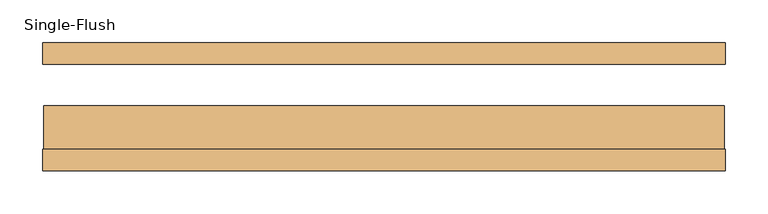
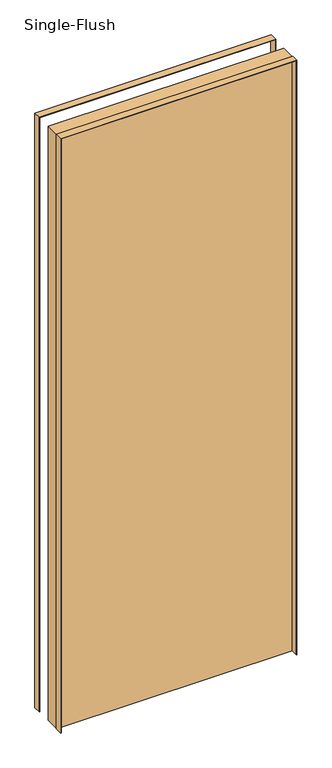
"""IFC4 building model written with IfcOpenShell, lengths in millimetres: door geometry, Single-Flush."""

from ifc_helpers import new_model, si_unit, frame, origin, origin_with_axes, place, context, project, spatial, polyline, outline, extrude, source, transform, mapped, element, save


def single_flush_937b38a5(model_context):
    return source(origin(), model_context, "Body", "SweptSolid", [
        extrude(outline(polyline([(2135.1875, -401.5875), (0.0, -401.5875), (0.0, -400.0), (2133.6, -400.0), (2133.6, 400.0), (0.0, 400.0), (0.0, 401.5875), (2135.1875, 401.5875), (2135.1875, -401.5875)])), frame((0.0, -75.4, 0.0), z_axis=(0.0, 1.0, 0.0), x_axis=(0.0, 0.0, 1.0)), (0.0, 0.0, 1.0), 25.4),
        extrude(outline(polyline([(2135.1875, 401.5875), (2135.1875, -401.5875), (0.0, -401.5875), (0.0, -400.0), (2133.6, -400.0), (2133.6, 400.0), (0.0, 400.0), (0.0, 401.5875), (2135.1875, 401.5875)])), frame((0.0, 50.0, 0.0), z_axis=(0.0, 1.0, 0.0), x_axis=(0.0, 0.0, 1.0)), (0.0, 0.0, 1.0), 25.4),
        extrude(outline(polyline([(400.0, 0.8), (400.0, -50.0), (-400.0, -50.0), (-400.0, 0.8), (400.0, 0.8)])), origin_with_axes(), (0.0, 0.0, 1.0), 2133.6),
    ])


if __name__ == "__main__":
    model = new_model("IFC4")
    model_context = context("Model", 3, world=origin())
    ifc_project = project(units=[si_unit("LENGTHUNIT", "METRE", prefix="MILLI")], contexts=[model_context])
    site = spatial("IfcSite", under=ifc_project)
    building = spatial("IfcBuilding", under=site)
    placement = place(None, origin())
    single_flush_shape = single_flush_937b38a5(model_context)
    element("IfcDoor", 1, ObjectType="Single-Flush", at=placement, inside=building, context=model_context, shape_type="MappedRepresentation", body=[
        mapped(single_flush_shape, transform((0.0, 0.0, 0.0), x_axis=(1.0, 0.0, 0.0), y_axis=(0.0, 1.0, 0.0), z_axis=(0.0, 0.0, 1.0))),
    ])
    save(model, "model.ifc")
